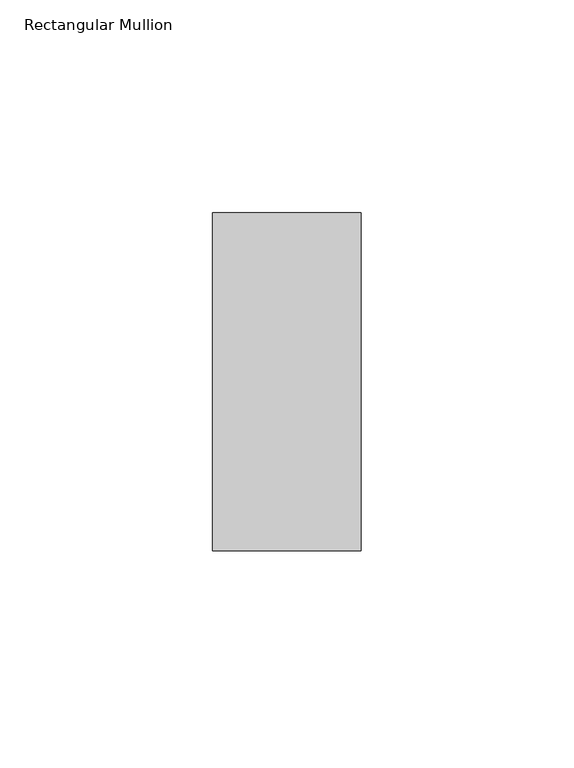
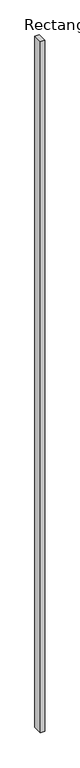
"""IFC4 building model written with IfcOpenShell, lengths in millimetres: member geometry, Rectangular Mullion."""

from ifc_helpers import new_model, si_unit, frame, origin, place, context, project, spatial, polyline, outline, extrude, source, transform, mapped, element, save


def rectangular_mullion_295599c5(model_context):
    return source(origin(), model_context, "Body", "SweptSolid", [
        extrude(outline(polyline([(0.0, 44.45), (0.0, -34.925), (-34.925, -34.925), (-34.925, 44.45), (0.0, 44.45)])), frame((0.0, 0.0, -6096.0), z_axis=(0.0, 0.0, 1.0), x_axis=(1.0, 0.0, 0.0)), (0.0, 0.0, 1.0), 6096.0),
    ])


if __name__ == "__main__":
    model = new_model("IFC4")
    model_context = context("Model", 3, world=origin())
    ifc_project = project(units=[si_unit("LENGTHUNIT", "METRE", prefix="MILLI")], contexts=[model_context])
    site = spatial("IfcSite", under=ifc_project)
    building = spatial("IfcBuilding", under=site)
    placement = place(None, origin())
    rectangular_mullion_shape = rectangular_mullion_295599c5(model_context)
    element("IfcMember", 1, ObjectType="Rectangular Mullion", at=placement, inside=building, context=model_context, shape_type="MappedRepresentation", body=[
        mapped(rectangular_mullion_shape, transform((0.0, 0.0, 0.0), x_axis=(1.0, 0.0, 0.0), y_axis=(0.0, 1.0, 0.0), z_axis=(0.0, 0.0, 1.0))),
    ])
    save(model, "model.ifc")
